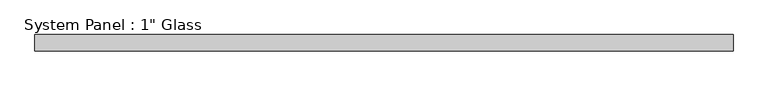
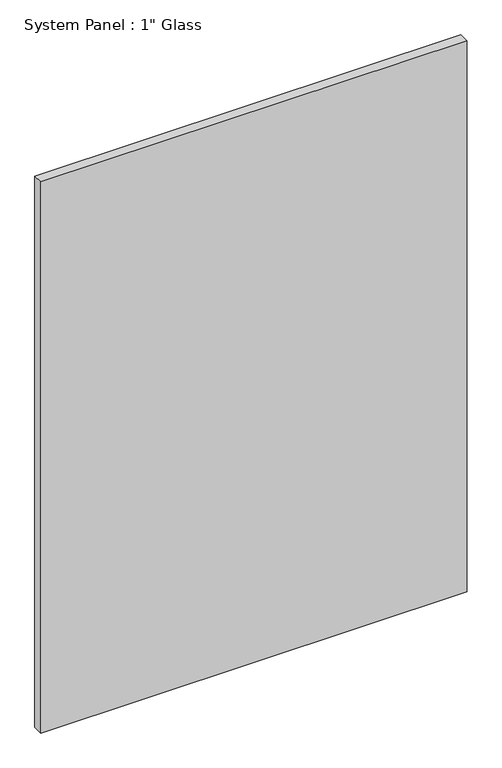
"""IFC4 building model written with IfcOpenShell, lengths in millimetres: plate geometry."""

from ifc_helpers import new_model, si_unit, origin, origin_with_axes, place, context, project, spatial, polyline, outline, extrude, source, transform, mapped, element, save


def plate_ea54d53b(model_context):
    return source(origin(), model_context, "Body", "SweptSolid", [
        extrude(outline(polyline([(538.95625, -12.7), (-538.95625, -12.7), (-538.95625, 12.7), (538.95625, 12.7), (538.95625, -12.7)])), origin_with_axes(), (0.0, 0.0, 1.0), 1473.2),
    ])


if __name__ == "__main__":
    model = new_model("IFC4")
    model_context = context("Model", 3, world=origin())
    ifc_project = project(units=[si_unit("LENGTHUNIT", "METRE", prefix="MILLI")], contexts=[model_context])
    site = spatial("IfcSite", under=ifc_project)
    building = spatial("IfcBuilding", under=site)
    placement = place(None, origin())
    plate_shape = plate_ea54d53b(model_context)
    element("IfcPlate", 1, ObjectType="System Panel : 1\" Glass", at=placement, inside=building, context=model_context, shape_type="MappedRepresentation", body=[
        mapped(plate_shape, transform((0.0, 0.0, 0.0), x_axis=(1.0, 0.0, 0.0), y_axis=(0.0, 1.0, 0.0), z_axis=(0.0, 0.0, 1.0))),
    ])
    save(model, "model.ifc")
